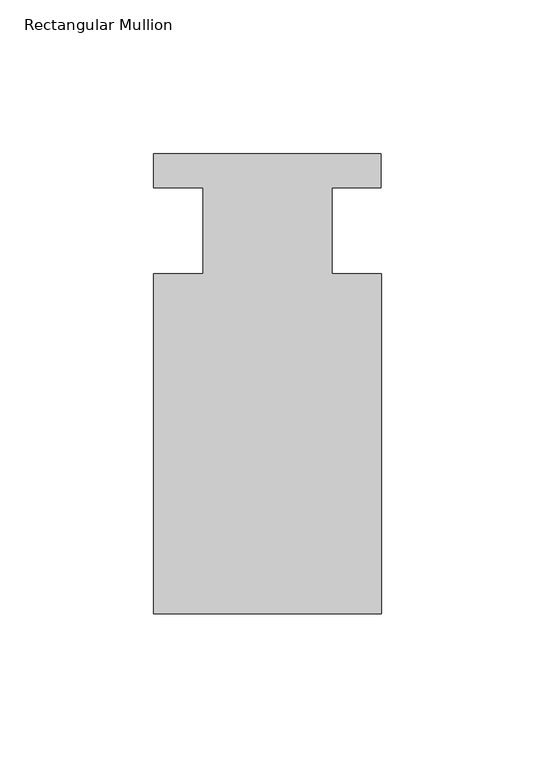
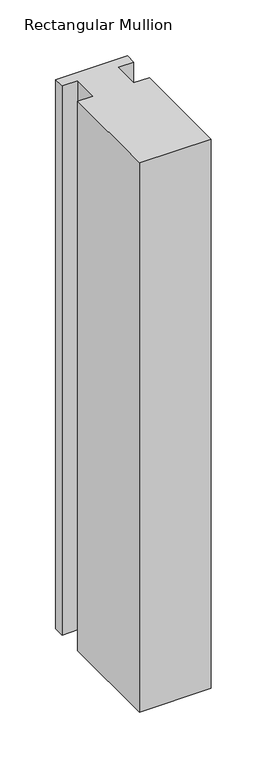
"""IFC4 building model written with IfcOpenShell, lengths in millimetres: member geometry, Rectangular Mullion."""

from ifc_helpers import new_model, si_unit, frame, origin, place, context, project, spatial, polyline, outline, extrude, source, transform, mapped, element, save


def rectangular_mullion_00ad9127(model_context):
    return source(origin(), model_context, "Body", "SweptSolid", [
        extrude(outline(polyline([(-20.9800745, -13.9998907), (-20.9800745, 14.0), (-37.0, 14.0), (-37.0, 25.0), (36.9800745, 25.0), (36.9800745, 14.0), (20.9800745, 14.0), (20.9800745, -13.9998907), (37.0, -13.9998907), (37.0, -124.5), (-37.0, -124.5), (-37.0, -13.9998907), (-20.9800745, -13.9998907)])), frame((0.0, 0.0, -599.0000104), z_axis=(0.0, 0.0, 1.0), x_axis=(1.0, 0.0, 0.0)), (0.0, 0.0, 1.0), 599.0000104),
    ])


if __name__ == "__main__":
    model = new_model("IFC4")
    model_context = context("Model", 3, world=origin())
    ifc_project = project(units=[si_unit("LENGTHUNIT", "METRE", prefix="MILLI")], contexts=[model_context])
    site = spatial("IfcSite", under=ifc_project)
    building = spatial("IfcBuilding", under=site)
    placement = place(None, origin())
    rectangular_mullion_shape = rectangular_mullion_00ad9127(model_context)
    element("IfcMember", 1, ObjectType="Rectangular Mullion", at=placement, inside=building, context=model_context, shape_type="MappedRepresentation", body=[
        mapped(rectangular_mullion_shape, transform((0.0, 0.0, 0.0), x_axis=(1.0, 0.0, 0.0), y_axis=(0.0, 1.0, 0.0), z_axis=(0.0, 0.0, 1.0))),
    ])
    save(model, "model.ifc")
